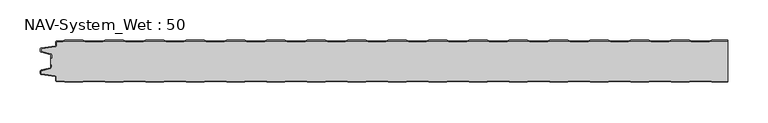
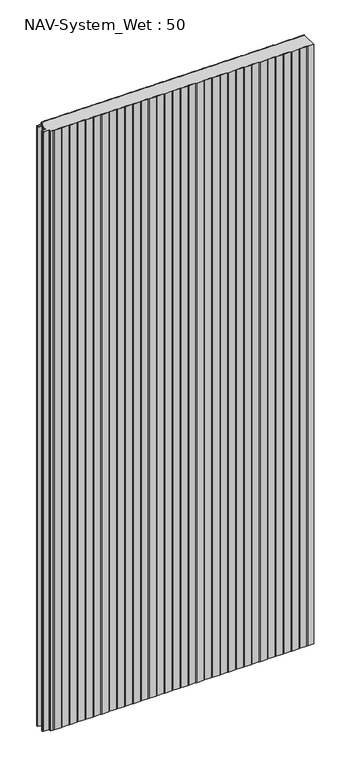
"""IFC4 building model written with IfcOpenShell, lengths in millimetres: plate geometry, NAV-System_Wet : 50."""

from ifc_helpers import new_model, si_unit, point, frame_2d, origin, origin_with_axes, place, context, project, spatial, polyline, circle_curve, trimmed, segment, composite_curve, outline, extrude, source, transform, mapped, element, save


def nav_system_wet_50_8173f3e2(model_context):
    return source(origin(), model_context, "Body", "SweptSolid", [
        extrude(outline(composite_curve([segment(polyline([(405.3684327, 0.2), (402.3684327, -0.8), (380.3684327, -0.8), (377.3684327, 0.2), (355.3684327, 0.2), (352.3684327, -0.8), (330.3684327, -0.8), (327.3684327, 0.2), (305.3684327, 0.2), (302.3684327, -0.8), (280.3684327, -0.8), (277.3684327, 0.2), (255.3684327, 0.2), (252.3684327, -0.8), (230.3684327, -0.8), (227.3684327, 0.2), (205.3684327, 0.2), (202.3684327, -0.8), (180.3684327, -0.8), (177.3684327, 0.2), (155.3684327, 0.2), (152.3684327, -0.8), (130.3684327, -0.8), (127.3684327, 0.2), (105.3684327, 0.2), (102.3684327, -0.8), (80.3684327, -0.8), (77.3684327, 0.2), (55.3684327, 0.2), (52.3684327, -0.8), (30.3684327, -0.8), (27.3684327, 0.2), (5.3684327, 0.2), (2.3684327, -0.8), (-19.6315673, -0.8), (-22.6315673, 0.2), (-44.6315673, 0.2), (-47.6315673, -0.8), (-69.6315673, -0.8), (-72.6315673, 0.2), (-94.6315673, 0.2), (-97.6315673, -0.8), (-119.6315673, -0.8), (-122.6315673, 0.2), (-144.6315673, 0.2), (-147.6315673, -0.8), (-169.6315673, -0.8), (-172.6315673, 0.2), (-194.6315673, 0.2), (-197.6315673, -0.8), (-219.6315673, -0.8), (-222.6315673, 0.2), (-244.6315673, 0.2), (-247.6315673, -0.8), (-269.6315673, -0.8), (-272.6315673, 0.2), (-294.6315673, 0.2), (-297.6315673, -0.8), (-319.6315673, -0.8), (-322.6315673, 0.2), (-344.6315673, 0.2), (-347.6315673, -0.8), (-369.6315673, -0.8), (-372.6315673, 0.2), (-394.6315673, 0.2), (-397.6315673, -0.8), (-404.7, -0.8)]), True, "CONTINUOUS"), segment(trimmed(circle_curve(frame_2d((-404.7, -1.3)), 0.5), [point((-404.7, -0.8))], [point((-405.2, -1.3))], True, "CARTESIAN"), True, "CONTINUOUS"), segment(polyline([(-405.2, -1.3), (-405.2, -5.3964683)]), True, "CONTINUOUS"), segment(trimmed(circle_curve(frame_2d((-406.7, -5.3964683)), 1.5), [point((-405.2, -5.3964683))], [point((-406.4911207, -6.8818536))], False, "CARTESIAN"), True, "CONTINUOUS"), segment(polyline([(-406.4911207, -6.8818536), (-423.4352183, -9.2645825)]), True, "CONTINUOUS"), segment(trimmed(circle_curve(frame_2d((-423.3114909, -10.1444347)), 0.8885091), [point((-423.4352183, -9.2645825))], [point((-424.2, -10.1444347))], True, "CARTESIAN"), True, "CONTINUOUS"), segment(polyline([(-424.2, -10.1444347), (-424.2, -12.46995)]), True, "CONTINUOUS"), segment(trimmed(circle_curve(frame_2d((-423.6, -12.46995)), 0.6), [point((-424.2, -12.46995))], [point((-423.7552914, -13.0495055))], True, "CARTESIAN"), True, "CONTINUOUS"), segment(polyline([(-423.7552914, -13.0495055), (-412.3785632, -16.0978907)]), True, "CONTINUOUS"), segment(trimmed(circle_curve(frame_2d((-412.7667917, -17.5467794)), 1.5), [point((-412.3785632, -16.0978907))], [point((-411.2667917, -17.5467794))], False, "CARTESIAN"), True, "CONTINUOUS"), segment(polyline([(-411.2667917, -17.5467794), (-411.2667917, -21.0096505), (-412.0667917, -21.0096505), (-412.0667917, -17.5467794)]), True, "CONTINUOUS"), segment(trimmed(circle_curve(frame_2d((-412.7667917, -17.5467794)), 0.7), [point((-412.0667917, -17.5467794))], [point((-412.5856184, -16.8706313))], True, "CARTESIAN"), True, "CONTINUOUS"), segment(polyline([(-412.5856184, -16.8706313), (-424.0364648, -13.8023863)]), True, "CONTINUOUS"), segment(trimmed(circle_curve(frame_2d((-423.7, -12.5466827)), 1.3), [point((-424.0364648, -13.8023863))], [point((-425.0, -12.5466827))], False, "CARTESIAN"), True, "CONTINUOUS"), segment(polyline([(-425.0, -12.5466827), (-425.0, -9.8067363)]), True, "CONTINUOUS"), segment(trimmed(circle_curve(frame_2d((-423.7, -9.8067363)), 1.3), [point((-425.0, -9.8067363))], [point((-423.8810287, -8.5194024))], False, "CARTESIAN"), True, "CONTINUOUS"), segment(polyline([(-423.8810287, -8.5194024), (-406.602523, -6.0896481)]), True, "CONTINUOUS"), segment(trimmed(circle_curve(frame_2d((-406.7, -5.3964683)), 0.7), [point((-406.602523, -6.0896481))], [point((-406.0, -5.3964683))], True, "CARTESIAN"), True, "CONTINUOUS"), segment(polyline([(-406.0, -5.3964683), (-406.0, -1.3)]), True, "CONTINUOUS"), segment(trimmed(circle_curve(frame_2d((-404.7, -1.3)), 1.3), [point((-406.0, -1.3))], [point((-404.7, 0.0))], False, "CARTESIAN"), True, "CONTINUOUS"), segment(polyline([(-404.7, 0.0), (-397.7613895, 0.0), (-394.7613895, 1.0), (-372.5017452, 1.0), (-369.5017452, 0.0), (-347.7613895, 0.0), (-344.7613895, 1.0), (-322.5017452, 1.0), (-319.5017452, 0.0), (-297.7613895, 0.0), (-294.7613895, 1.0), (-272.5017452, 1.0), (-269.5017452, 0.0), (-247.7613895, 0.0), (-244.7613895, 1.0), (-222.5017452, 1.0), (-219.5017452, 0.0), (-197.7613895, 0.0), (-194.7613895, 1.0), (-172.5017452, 1.0), (-169.5017452, 0.0), (-147.7613895, 0.0), (-144.7613895, 1.0), (-122.5017452, 1.0), (-119.5017452, 0.0), (-97.7613895, 0.0), (-94.7613895, 1.0), (-72.5017452, 1.0), (-69.5017452, 0.0), (-47.7613895, 0.0), (-44.7613895, 1.0), (-22.5017452, 1.0), (-19.5017452, 0.0), (2.2386105, 0.0), (5.2386105, 1.0), (27.4982548, 1.0), (30.4982548, 0.0), (52.2386105, 0.0), (55.2386105, 1.0), (77.4982548, 1.0), (80.4982548, 0.0), (102.2386105, 0.0), (105.2386105, 1.0), (127.4982548, 1.0), (130.4982548, 0.0), (152.2386105, 0.0), (155.2386105, 1.0), (177.4982548, 1.0), (180.4982548, 0.0), (202.2386105, 0.0), (205.2386105, 1.0), (227.4982548, 1.0), (230.4982548, 0.0), (252.2386105, 0.0), (255.2386105, 1.0), (277.4982548, 1.0), (280.4982548, 0.0), (302.2386105, 0.0), (305.2386105, 1.0), (327.4982548, 1.0), (330.4982548, 0.0), (352.2386105, 0.0), (355.2386105, 1.0), (377.4982548, 1.0), (380.4982548, 0.0), (402.2386105, 0.0), (405.2386105, 1.0), (425.0, 1.0), (425.0, 0.2), (405.3684327, 0.2)]), True, "CONTINUOUS")], self_intersect=False)), origin_with_axes(), (0.0, 0.0, 1.0), 2000.0),
        extrude(outline(composite_curve([segment(polyline([(405.3684327, -50.2), (402.3684327, -49.2), (380.3684327, -49.2), (377.3684327, -50.2), (355.3684327, -50.2), (352.3684327, -49.2), (330.3684327, -49.2), (327.3684327, -50.2), (305.3684327, -50.2), (302.3684327, -49.2), (280.3684327, -49.2), (277.3684327, -50.2), (255.3684327, -50.2), (252.3684327, -49.2), (230.3684327, -49.2), (227.3684327, -50.2), (205.3684327, -50.2), (202.3684327, -49.2), (180.3684327, -49.2), (177.3684327, -50.2), (155.3684327, -50.2), (152.3684327, -49.2), (130.3684327, -49.2), (127.3684327, -50.2), (105.3684327, -50.2), (102.3684327, -49.2), (80.3684327, -49.2), (77.3684327, -50.2), (55.3684327, -50.2), (52.3684327, -49.2), (30.3684327, -49.2), (27.3684327, -50.2), (5.3684327, -50.2), (2.3684327, -49.2), (-19.6315673, -49.2), (-22.6315673, -50.2), (-44.6315673, -50.2), (-47.6315673, -49.2), (-69.6315673, -49.2), (-72.6315673, -50.2), (-94.6315673, -50.2), (-97.6315673, -49.2), (-119.6315673, -49.2), (-122.6315673, -50.2), (-144.6315673, -50.2), (-147.6315673, -49.2), (-169.6315673, -49.2), (-172.6315673, -50.2), (-194.6315673, -50.2), (-197.6315673, -49.2), (-219.6315673, -49.2), (-222.6315673, -50.2), (-244.6315673, -50.2), (-247.6315673, -49.2), (-269.6315673, -49.2), (-272.6315673, -50.2), (-294.6315673, -50.2), (-297.6315673, -49.2), (-319.6315673, -49.2), (-322.6315673, -50.2), (-344.6315673, -50.2), (-347.6315673, -49.2), (-369.6315673, -49.2), (-372.6315673, -50.2), (-394.6315673, -50.2), (-397.6315673, -49.2), (-404.7, -49.2)]), True, "CONTINUOUS"), segment(trimmed(circle_curve(frame_2d((-404.7, -48.7)), 0.5), [point((-404.7, -49.2))], [point((-405.2, -48.7))], False, "CARTESIAN"), True, "CONTINUOUS"), segment(polyline([(-405.2, -48.7), (-405.2, -44.6035317)]), True, "CONTINUOUS"), segment(trimmed(circle_curve(frame_2d((-406.7, -44.6035317)), 1.5), [point((-405.2, -44.6035317))], [point((-406.4911207, -43.1181464))], True, "CARTESIAN"), True, "CONTINUOUS"), segment(polyline([(-406.4911207, -43.1181464), (-423.4352183, -40.7354175)]), True, "CONTINUOUS"), segment(trimmed(circle_curve(frame_2d((-423.3114909, -39.8555653)), 0.8885091), [point((-423.4352183, -40.7354175))], [point((-424.2, -39.8555653))], False, "CARTESIAN"), True, "CONTINUOUS"), segment(polyline([(-424.2, -39.8555653), (-424.2, -37.53005)]), True, "CONTINUOUS"), segment(trimmed(circle_curve(frame_2d((-423.6, -37.53005)), 0.6), [point((-424.2, -37.53005))], [point((-423.7552914, -36.9504945))], False, "CARTESIAN"), True, "CONTINUOUS"), segment(polyline([(-423.7552914, -36.9504945), (-412.3785632, -33.9021093)]), True, "CONTINUOUS"), segment(trimmed(circle_curve(frame_2d((-412.7667917, -32.4532206)), 1.5), [point((-412.3785632, -33.9021093))], [point((-411.2667917, -32.4532206))], True, "CARTESIAN"), True, "CONTINUOUS"), segment(polyline([(-411.2667917, -32.4532206), (-411.2667917, -28.9903495), (-412.0667917, -28.9903495), (-412.0667917, -21.0096505), (-411.2667917, -21.0096505), (-411.2667917, -17.5467794)]), True, "CONTINUOUS"), segment(trimmed(circle_curve(frame_2d((-412.7667917, -17.5467794)), 1.5), [point((-411.2667917, -17.5467794))], [point((-412.3785632, -16.0978907))], True, "CARTESIAN"), True, "CONTINUOUS"), segment(polyline([(-412.3785632, -16.0978907), (-423.7552914, -13.0495055)]), True, "CONTINUOUS"), segment(trimmed(circle_curve(frame_2d((-423.6, -12.46995)), 0.6), [point((-423.7552914, -13.0495055))], [point((-424.2, -12.46995))], False, "CARTESIAN"), True, "CONTINUOUS"), segment(polyline([(-424.2, -12.46995), (-424.2, -10.1444347)]), True, "CONTINUOUS"), segment(trimmed(circle_curve(frame_2d((-423.3114909, -10.1444347)), 0.8885091), [point((-424.2, -10.1444347))], [point((-423.4352183, -9.2645825))], False, "CARTESIAN"), True, "CONTINUOUS"), segment(polyline([(-423.4352183, -9.2645825), (-406.4911207, -6.8818536)]), True, "CONTINUOUS"), segment(trimmed(circle_curve(frame_2d((-406.7, -5.3964683)), 1.5), [point((-406.4911207, -6.8818536))], [point((-405.2, -5.3964683))], True, "CARTESIAN"), True, "CONTINUOUS"), segment(polyline([(-405.2, -5.3964683), (-405.2, -1.3)]), True, "CONTINUOUS"), segment(trimmed(circle_curve(frame_2d((-404.7, -1.3)), 0.5), [point((-405.2, -1.3))], [point((-404.7, -0.8))], False, "CARTESIAN"), True, "CONTINUOUS"), segment(polyline([(-404.7, -0.8), (-397.6315673, -0.8), (-394.6315673, 0.2), (-372.6315673, 0.2), (-369.6315673, -0.8), (-347.6315673, -0.8), (-344.6315673, 0.2), (-322.6315673, 0.2), (-319.6315673, -0.8), (-297.6315673, -0.8), (-294.6315673, 0.2), (-272.6315673, 0.2), (-269.6315673, -0.8), (-247.6315673, -0.8), (-244.6315673, 0.2), (-222.6315673, 0.2), (-219.6315673, -0.8), (-197.6315673, -0.8), (-194.6315673, 0.2), (-172.6315673, 0.2), (-169.6315673, -0.8), (-147.6315673, -0.8), (-144.6315673, 0.2), (-122.6315673, 0.2), (-119.6315673, -0.8), (-97.6315673, -0.8), (-94.6315673, 0.2), (-72.6315673, 0.2), (-69.6315673, -0.8), (-47.6315673, -0.8), (-44.6315673, 0.2), (-22.6315673, 0.2), (-19.6315673, -0.8), (2.3684327, -0.8), (5.3684327, 0.2), (27.3684327, 0.2), (30.3684327, -0.8), (52.3684327, -0.8), (55.3684327, 0.2), (77.3684327, 0.2), (80.3684327, -0.8), (102.3684327, -0.8), (105.3684327, 0.2), (127.3684327, 0.2), (130.3684327, -0.8), (152.3684327, -0.8), (155.3684327, 0.2), (177.3684327, 0.2), (180.3684327, -0.8), (202.3684327, -0.8), (205.3684327, 0.2), (227.3684327, 0.2), (230.3684327, -0.8), (252.3684327, -0.8), (255.3684327, 0.2), (277.3684327, 0.2), (280.3684327, -0.8), (302.3684327, -0.8), (305.3684327, 0.2), (327.3684327, 0.2), (330.3684327, -0.8), (352.3684327, -0.8), (355.3684327, 0.2), (377.3684327, 0.2), (380.3684327, -0.8), (402.3684327, -0.8), (405.3684327, 0.2), (425.0, 0.2), (425.0, -50.2), (405.3684327, -50.2)]), True, "CONTINUOUS")], self_intersect=False)), origin_with_axes(), (0.0, 0.0, 1.0), 2000.0),
        extrude(outline(composite_curve([segment(polyline([(405.2386105, -51.0), (402.2386105, -50.0), (380.4982548, -50.0), (377.4982548, -51.0), (355.2386105, -51.0), (352.2386105, -50.0), (330.4982548, -50.0), (327.4982548, -51.0), (305.2386105, -51.0), (302.2386105, -50.0), (280.4982548, -50.0), (277.4982548, -51.0), (255.2386105, -51.0), (252.2386105, -50.0), (230.4982548, -50.0), (227.4982548, -51.0), (205.2386105, -51.0), (202.2386105, -50.0), (180.4982548, -50.0), (177.4982548, -51.0), (155.2386105, -51.0), (152.2386105, -50.0), (130.4982548, -50.0), (127.4982548, -51.0), (105.2386105, -51.0), (102.2386105, -50.0), (80.4982548, -50.0), (77.4982548, -51.0), (55.2386105, -51.0), (52.2386105, -50.0), (30.4982548, -50.0), (27.4982548, -51.0), (5.2386105, -51.0), (2.2386105, -50.0), (-19.5017452, -50.0), (-22.5017452, -51.0), (-44.7613895, -51.0), (-47.7613895, -50.0), (-69.5017452, -50.0), (-72.5017452, -51.0), (-94.7613895, -51.0), (-97.7613895, -50.0), (-119.5017452, -50.0), (-122.5017452, -51.0), (-144.7613895, -51.0), (-147.7613895, -50.0), (-169.5017452, -50.0), (-172.5017452, -51.0), (-194.7613895, -51.0), (-197.7613895, -50.0), (-219.5017452, -50.0), (-222.5017452, -51.0), (-244.7613895, -51.0), (-247.7613895, -50.0), (-269.5017452, -50.0), (-272.5017452, -51.0), (-294.7613895, -51.0), (-297.7613895, -50.0), (-319.5017452, -50.0), (-322.5017452, -51.0), (-344.7613895, -51.0), (-347.7613895, -50.0), (-369.5017452, -50.0), (-372.5017452, -51.0), (-394.7613895, -51.0), (-397.7613895, -50.0), (-404.7, -50.0)]), True, "CONTINUOUS"), segment(trimmed(circle_curve(frame_2d((-404.7, -48.7)), 1.3), [point((-404.7, -50.0))], [point((-406.0, -48.7))], False, "CARTESIAN"), True, "CONTINUOUS"), segment(polyline([(-406.0, -48.7), (-406.0, -44.6035317)]), True, "CONTINUOUS"), segment(trimmed(circle_curve(frame_2d((-406.7, -44.6035317)), 0.7), [point((-406.0, -44.6035317))], [point((-406.602523, -43.9103519))], True, "CARTESIAN"), True, "CONTINUOUS"), segment(polyline([(-406.602523, -43.9103519), (-423.8810287, -41.4805976)]), True, "CONTINUOUS"), segment(trimmed(circle_curve(frame_2d((-423.7, -40.1932637)), 1.3), [point((-423.8810287, -41.4805976))], [point((-425.0, -40.1932637))], False, "CARTESIAN"), True, "CONTINUOUS"), segment(polyline([(-425.0, -40.1932637), (-425.0, -37.4533173)]), True, "CONTINUOUS"), segment(trimmed(circle_curve(frame_2d((-423.7, -37.4533173)), 1.3), [point((-425.0, -37.4533173))], [point((-424.0364648, -36.1976137))], False, "CARTESIAN"), True, "CONTINUOUS"), segment(polyline([(-424.0364648, -36.1976137), (-412.5856184, -33.1293687)]), True, "CONTINUOUS"), segment(trimmed(circle_curve(frame_2d((-412.7667917, -32.4532206)), 0.7), [point((-412.5856184, -33.1293687))], [point((-412.0667917, -32.4532206))], True, "CARTESIAN"), True, "CONTINUOUS"), segment(polyline([(-412.0667917, -32.4532206), (-412.0667917, -28.9903495), (-411.2667917, -28.9903495), (-411.2667917, -32.4532206)]), True, "CONTINUOUS"), segment(trimmed(circle_curve(frame_2d((-412.7667917, -32.4532206)), 1.5), [point((-411.2667917, -32.4532206))], [point((-412.3785632, -33.9021093))], False, "CARTESIAN"), True, "CONTINUOUS"), segment(polyline([(-412.3785632, -33.9021093), (-423.7552914, -36.9504945)]), True, "CONTINUOUS"), segment(trimmed(circle_curve(frame_2d((-423.6, -37.53005)), 0.6), [point((-423.7552914, -36.9504945))], [point((-424.2, -37.53005))], True, "CARTESIAN"), True, "CONTINUOUS"), segment(polyline([(-424.2, -37.53005), (-424.2, -39.8555653)]), True, "CONTINUOUS"), segment(trimmed(circle_curve(frame_2d((-423.3114909, -39.8555653)), 0.8885091), [point((-424.2, -39.8555653))], [point((-423.4352183, -40.7354175))], True, "CARTESIAN"), True, "CONTINUOUS"), segment(polyline([(-423.4352183, -40.7354175), (-406.4911207, -43.1181464)]), True, "CONTINUOUS"), segment(trimmed(circle_curve(frame_2d((-406.7, -44.6035317)), 1.5), [point((-406.4911207, -43.1181464))], [point((-405.2, -44.6035317))], False, "CARTESIAN"), True, "CONTINUOUS"), segment(polyline([(-405.2, -44.6035317), (-405.2, -48.7)]), True, "CONTINUOUS"), segment(trimmed(circle_curve(frame_2d((-404.7, -48.7)), 0.5), [point((-405.2, -48.7))], [point((-404.7, -49.2))], True, "CARTESIAN"), True, "CONTINUOUS"), segment(polyline([(-404.7, -49.2), (-397.6315673, -49.2), (-394.6315673, -50.2), (-372.6315673, -50.2), (-369.6315673, -49.2), (-347.6315673, -49.2), (-344.6315673, -50.2), (-322.6315673, -50.2), (-319.6315673, -49.2), (-297.6315673, -49.2), (-294.6315673, -50.2), (-272.6315673, -50.2), (-269.6315673, -49.2), (-247.6315673, -49.2), (-244.6315673, -50.2), (-222.6315673, -50.2), (-219.6315673, -49.2), (-197.6315673, -49.2), (-194.6315673, -50.2), (-172.6315673, -50.2), (-169.6315673, -49.2), (-147.6315673, -49.2), (-144.6315673, -50.2), (-122.6315673, -50.2), (-119.6315673, -49.2), (-97.6315673, -49.2), (-94.6315673, -50.2), (-72.6315673, -50.2), (-69.6315673, -49.2), (-47.6315673, -49.2), (-44.6315673, -50.2), (-22.6315673, -50.2), (-19.6315673, -49.2), (2.3684327, -49.2), (5.3684327, -50.2), (27.3684327, -50.2), (30.3684327, -49.2), (52.3684327, -49.2), (55.3684327, -50.2), (77.3684327, -50.2), (80.3684327, -49.2), (102.3684327, -49.2), (105.3684327, -50.2), (127.3684327, -50.2), (130.3684327, -49.2), (152.3684327, -49.2), (155.3684327, -50.2), (177.3684327, -50.2), (180.3684327, -49.2), (202.3684327, -49.2), (205.3684327, -50.2), (227.3684327, -50.2), (230.3684327, -49.2), (252.3684327, -49.2), (255.3684327, -50.2), (277.3684327, -50.2), (280.3684327, -49.2), (302.3684327, -49.2), (305.3684327, -50.2), (327.3684327, -50.2), (330.3684327, -49.2), (352.3684327, -49.2), (355.3684327, -50.2), (377.3684327, -50.2), (380.3684327, -49.2), (402.3684327, -49.2), (405.3684327, -50.2), (425.0, -50.2), (425.0, -51.0), (405.2386105, -51.0)]), True, "CONTINUOUS")], self_intersect=False)), origin_with_axes(), (0.0, 0.0, 1.0), 2000.0),
    ])


if __name__ == "__main__":
    model = new_model("IFC4")
    model_context = context("Model", 3, world=origin())
    ifc_project = project(units=[si_unit("LENGTHUNIT", "METRE", prefix="MILLI")], contexts=[model_context])
    site = spatial("IfcSite", under=ifc_project)
    building = spatial("IfcBuilding", under=site)
    placement = place(None, origin())
    nav_system_wet_50_shape = nav_system_wet_50_8173f3e2(model_context)
    element("IfcPlate", 1, ObjectType="NAV-System_Wet : 50", at=placement, inside=building, context=model_context, shape_type="MappedRepresentation", body=[
        mapped(nav_system_wet_50_shape, transform((0.0, 0.0, 0.0), x_axis=(1.0, 0.0, 0.0), y_axis=(0.0, 1.0, 0.0), z_axis=(0.0, 0.0, 1.0))),
    ])
    save(model, "model.ifc")
